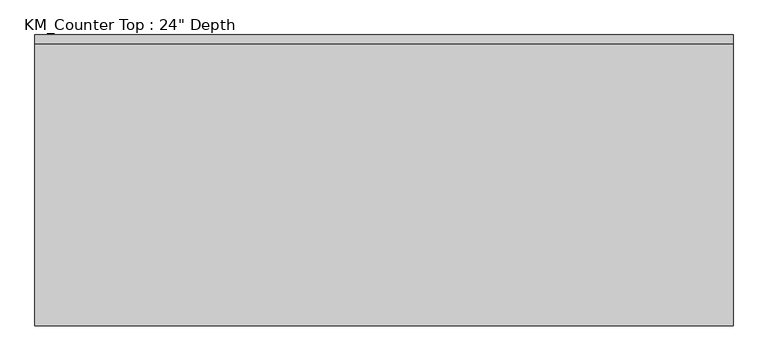
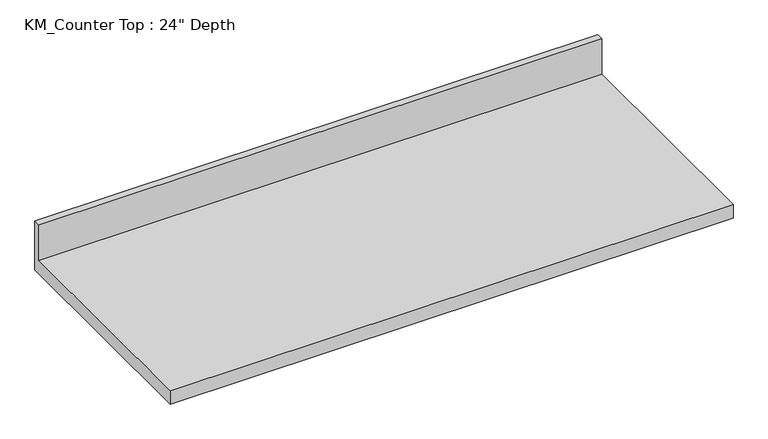
"""IFC4 building model written with IfcOpenShell, lengths in millimetres: furniture geometry."""

from ifc_helpers import new_model, si_unit, frame, origin, place, context, project, spatial, polyline, outline, extrude, source, transform, mapped, element, save


def furniture_70b2f011(model_context):
    return source(origin(), model_context, "Body", "SweptSolid", [
        extrude(outline(polyline([(0.0, 965.2), (0.0, 825.5), (-635.0, 825.5), (-635.0, 863.6), (-19.05, 863.6), (-19.05, 965.2), (0.0, 965.2)])), frame((-1200.4622951, 0.0, 0.0), z_axis=(1.0, 0.0, 0.0), x_axis=(0.0, 1.0, 0.0)), (0.0, 0.0, 1.0), 1524.0),
    ])


if __name__ == "__main__":
    model = new_model("IFC4")
    model_context = context("Model", 3, world=origin())
    ifc_project = project(units=[si_unit("LENGTHUNIT", "METRE", prefix="MILLI")], contexts=[model_context])
    site = spatial("IfcSite", under=ifc_project)
    building = spatial("IfcBuilding", under=site)
    placement = place(None, origin())
    furniture_shape = furniture_70b2f011(model_context)
    element("IfcFurniture", 1, ObjectType="KM_Counter Top : 24\" Depth", at=placement, inside=building, context=model_context, shape_type="MappedRepresentation", body=[
        mapped(furniture_shape, transform((0.0, 0.0, 0.0), x_axis=(1.0, 0.0, 0.0), y_axis=(0.0, 1.0, 0.0), z_axis=(0.0, 0.0, 1.0))),
    ])
    save(model, "model.ifc")
